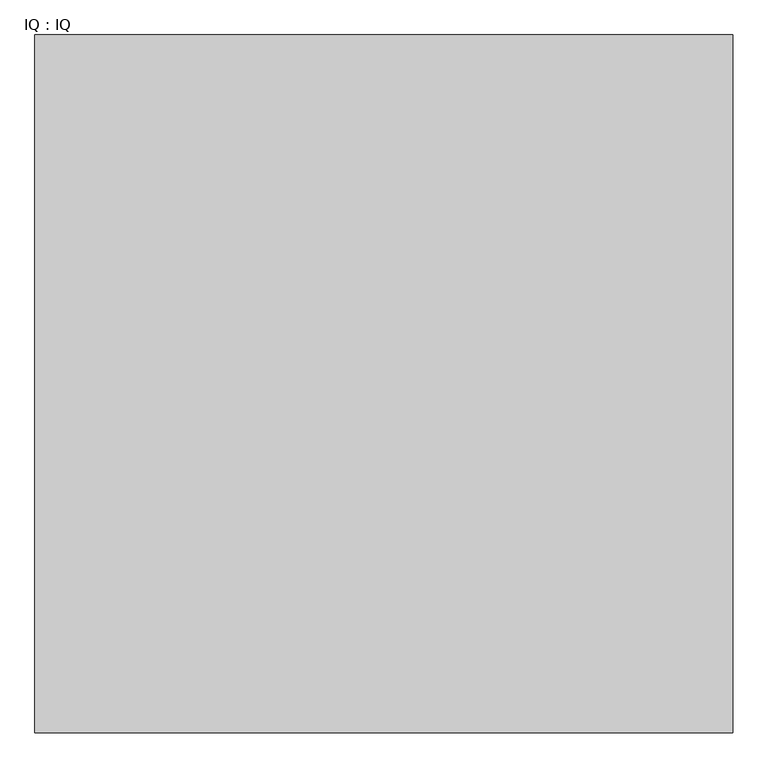
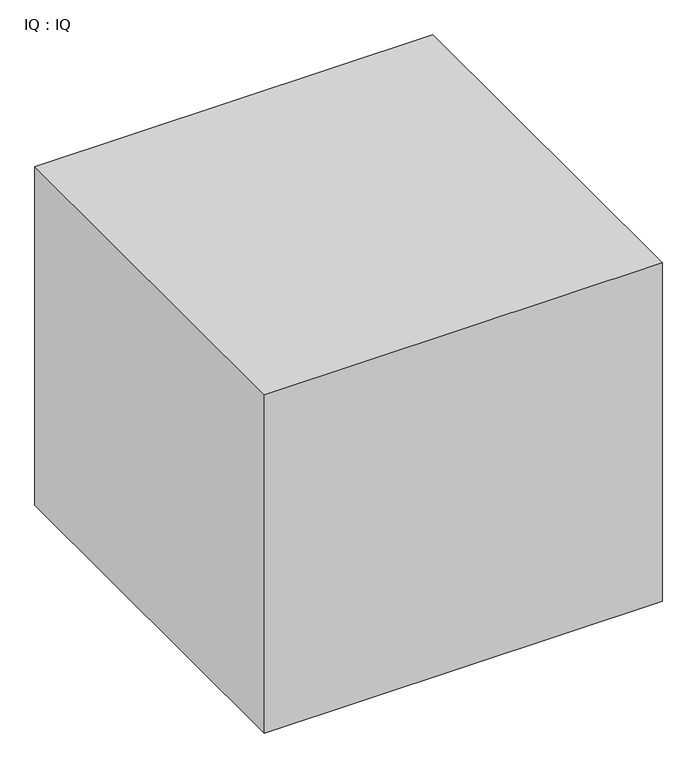
"""IFC4 building model written with IfcOpenShell, lengths in millimetres: proxy geometry, IQ : IQ."""

from ifc_helpers import new_model, si_unit, origin, origin_with_axes, place, context, project, spatial, polyline, outline, extrude, source, transform, mapped, element, save


def iq_iq_5025f49d(model_context):
    return source(origin(), model_context, "Body", "SweptSolid", [
        extrude(outline(polyline([(1000.0, 1000.0), (1000.0, 0.0), (0.0, 0.0), (0.0, 1000.0), (1000.0, 1000.0)])), origin_with_axes(), (0.0, 0.0, 1.0), 900.0),
    ])


if __name__ == "__main__":
    model = new_model("IFC4")
    model_context = context("Model", 3, world=origin())
    ifc_project = project(units=[si_unit("LENGTHUNIT", "METRE", prefix="MILLI")], contexts=[model_context])
    site = spatial("IfcSite", under=ifc_project)
    building = spatial("IfcBuilding", under=site)
    placement = place(None, origin())
    iq_iq_shape = iq_iq_5025f49d(model_context)
    element("IfcBuildingElementProxy", 1, Name="IQ : IQ", ObjectType="IQ : IQ", at=placement, inside=building, context=model_context, shape_type="MappedRepresentation", body=[
        mapped(iq_iq_shape, transform((0.0, 0.0, 0.0), x_axis=(1.0, 0.0, 0.0), y_axis=(0.0, 1.0, 0.0), z_axis=(0.0, 0.0, 1.0))),
    ])
    save(model, "model.ifc")
